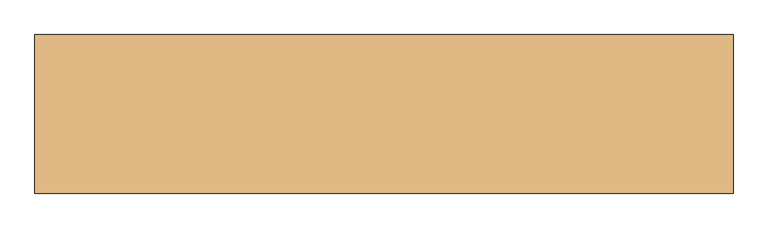
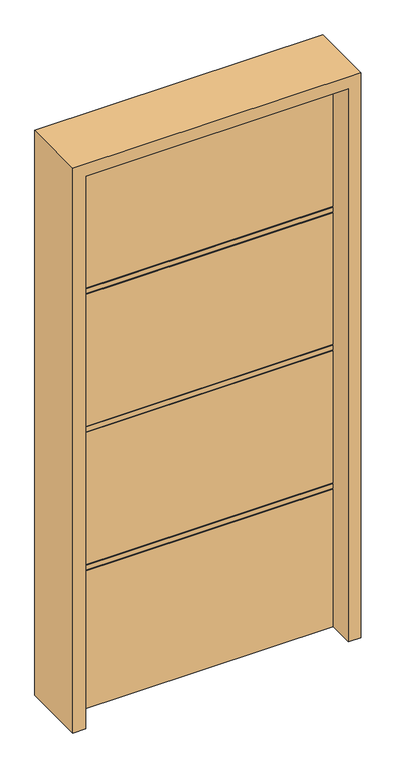
"""IFC4 building model written with IfcOpenShell, lengths in millimetres: door geometry."""

import ifcopenshell
import ifcopenshell.guid

model = None  # the IFC model being written
_history = None  # IfcOwnerHistory: only IFC2X3 demands one
_inside = {}  # id of a spatial element -> (the spatial element, [elements in it])
_under = {}  # id of a project, library or spatial element -> (it, [spatial elements below it])
_declared = {}  # id of a project -> (the project, [libraries it declares])
_typed = {}  # id of a type object -> (the type object, [elements of that type])
_made_of = {}  # id of a material, layer set ... -> (it, [elements and type objects made of it])


def new_model(schema):
    """Start an empty IFC model of exactly this schema.

    Asked for "IFC4X3", IfcOpenShell would pick the latest addendum, in which some entities
    have other attributes; the version numbers below select the first issue.
    IFC2X3 requires an IfcOwnerHistory on every rooted entity: one is made here for all.
    """
    global model, _history
    if schema == "IFC4X3":
        model = ifcopenshell.file(schema_version=(4, 3, 0, 0))
    else:
        model = ifcopenshell.file(schema=schema)
    _inside.clear()
    _under.clear()
    _declared.clear()
    _typed.clear()
    _made_of.clear()
    _history = None
    if model.schema == "IFC2X3":
        org = make("IfcOrganization", Name="unknown")
        user = make(
            "IfcPersonAndOrganization",
            ThePerson=make("IfcPerson", FamilyName="unknown"),
            TheOrganization=org,
        )
        app = make(
            "IfcApplication",
            ApplicationDeveloper=org,
            Version="unknown",
            ApplicationFullName="unknown",
            ApplicationIdentifier="unknown",
        )
        _history = make(
            "IfcOwnerHistory",
            OwningUser=user,
            OwningApplication=app,
            ChangeAction="ADDED",
            CreationDate=0,
        )
    return model


def make(cls, **values):
    """One entity of the class cls with the attributes given. An attribute that is None is left unset."""
    return model.create_entity(
        cls, **{name: value for name, value in values.items() if value is not None}
    )


def rooted(cls, **values):
    """An entity with a GlobalId (a new one), such as an element, a storey or a relation."""
    return make(cls, GlobalId=ifcopenshell.guid.new(), OwnerHistory=_history, **values)


def si_unit(unit_type, name, prefix=None):
    """IfcSIUnit, for example si_unit("LENGTHUNIT", "METRE", prefix="MILLI")."""
    return make("IfcSIUnit", UnitType=unit_type, Prefix=prefix, Name=name)


def assignment(units):
    """IfcUnitAssignment: the units of a project."""
    return None if units is None else make("IfcUnitAssignment", Units=units)


def point(xyz):
    """IfcCartesianPoint."""
    return None if xyz is None else make("IfcCartesianPoint", Coordinates=xyz)


def direction(xyz):
    """IfcDirection."""
    return None if xyz is None else make("IfcDirection", DirectionRatios=xyz)


def frame(location, z_axis=None, x_axis=None):
    """IfcAxis2Placement3D, a coordinate frame: its origin and axes. An axis left out is left unset."""
    return make(
        "IfcAxis2Placement3D",
        Location=point(location),
        Axis=direction(z_axis),
        RefDirection=direction(x_axis),
    )


def origin():
    """The frame at (0, 0, 0) with its axes left unset."""
    return frame((0.0, 0.0, 0.0))


def place(relative_to, where):
    """IfcLocalPlacement: puts the frame where relative to a parent placement (None: the world)."""
    return make(
        "IfcLocalPlacement", PlacementRelTo=relative_to, RelativePlacement=where
    )


def context(
    kind, dimensions, precision=None, world=None, true_north=None, identifier=None
):
    """IfcGeometricRepresentationContext, for example the 3D "Model" context."""
    return make(
        "IfcGeometricRepresentationContext",
        ContextIdentifier=identifier,
        ContextType=kind,
        CoordinateSpaceDimension=dimensions,
        Precision=precision,
        WorldCoordinateSystem=world,
        TrueNorth=true_north,
    )


def project(units=None, contexts=None):
    """IfcProject with its units and contexts."""
    return rooted(
        "IfcProject",
        Name="project",
        RepresentationContexts=contexts,
        UnitsInContext=assignment(units),
    )


def spatial(cls, under=None, at=None, **own):
    """A site, building, storey or space (cls), placed at a placement, below another one or the project."""
    s = rooted(cls, ObjectPlacement=at, **own)
    if under is not None:
        _under.setdefault(under.id(), (under, []))[1].append(s)
    return s


def polyline(points):
    """IfcPolyline through the points."""
    return make("IfcPolyline", Points=[point(p) for p in points])


def outline(outer, holes=None, kind="AREA"):
    """IfcArbitraryClosedProfileDef: a profile drawn as a closed curve; with holes, ...WithVoids."""
    if holes is None:
        return make("IfcArbitraryClosedProfileDef", ProfileType=kind, OuterCurve=outer)
    return make(
        "IfcArbitraryProfileDefWithVoids",
        ProfileType=kind,
        OuterCurve=outer,
        InnerCurves=holes,
    )


def extrude(swept, where, along, depth):
    """IfcExtrudedAreaSolid: the profile swept, set in the frame where, extruded along a direction by depth."""
    return make(
        "IfcExtrudedAreaSolid",
        SweptArea=swept,
        Position=where,
        ExtrudedDirection=direction(along),
        Depth=depth,
    )


def shape(context_of_items, identifier, shape_type, items):
    """IfcShapeRepresentation: the items that make up one representation, for example the "Body"."""
    return make(
        "IfcShapeRepresentation",
        ContextOfItems=context_of_items,
        RepresentationIdentifier=identifier,
        RepresentationType=shape_type,
        Items=items,
    )


def source(mapping_origin, context_of_items, identifier, shape_type, items):
    """IfcRepresentationMap: a shape defined once, which mapped items show again and again."""
    return make(
        "IfcRepresentationMap",
        MappingOrigin=mapping_origin,
        MappedRepresentation=shape(context_of_items, identifier, shape_type, items),
    )


def transform(
    local_origin,
    x_axis=None,
    y_axis=None,
    z_axis=None,
    scale=None,
    scale2=None,
    scale3=None,
    uniform=True,
):
    """IfcCartesianTransformationOperator3D, or its non-uniform kind. x_axis, y_axis, z_axis: its Axis1, 2, 3."""
    if uniform:
        return make(
            "IfcCartesianTransformationOperator3D",
            Axis1=direction(x_axis),
            Axis2=direction(y_axis),
            LocalOrigin=point(local_origin),
            Scale=scale,
            Axis3=direction(z_axis),
        )
    return make(
        "IfcCartesianTransformationOperator3DnonUniform",
        Axis1=direction(x_axis),
        Axis2=direction(y_axis),
        LocalOrigin=point(local_origin),
        Scale=scale,
        Axis3=direction(z_axis),
        Scale2=scale2,
        Scale3=scale3,
    )


def mapped(mapping_source, mapping_target):
    """IfcMappedItem: shows the shape of a source again, moved by a transform."""
    return make(
        "IfcMappedItem", MappingSource=mapping_source, MappingTarget=mapping_target
    )


def made_of(thing, what):
    """Note that an element or type object is made of a material, layer set ...; save() writes the relation."""
    if what is not None:
        _made_of.setdefault(what.id(), (what, []))[1].append(thing)
    return thing


def element(
    cls,
    number,
    at=None,
    inside=None,
    cuts=None,
    type_object=None,
    material=None,
    context=None,
    identifier="Body",
    shape_type=None,
    held_by="IfcProductDefinitionShape",
    body=None,
    shapes=None,
    **own,
):
    """One element of the class cls, such as IfcWall. Its Tag is "e" and its number.

    at: its placement. inside: the storey or other place that contains it. cuts: it is an
    opening in that element (IfcRelVoidsElement). A single representation is given by context,
    identifier, shape_type and body (its items); several are given by shapes. held_by: the class
    of the entity that holds the representations. save() writes the other relations.
    """
    e = rooted(cls, Tag="e%d" % number, ObjectPlacement=at, **own)
    if body is not None:
        shapes = [shape(context, identifier, shape_type, body)]
    if shapes is not None:
        e.Representation = make(held_by, Representations=shapes)
    if inside is not None:
        _inside.setdefault(inside.id(), (inside, []))[1].append(e)
    if cuts is not None:
        rooted(
            "IfcRelVoidsElement", RelatingBuildingElement=cuts, RelatedOpeningElement=e
        )
    if type_object is not None:
        _typed.setdefault(type_object.id(), (type_object, []))[1].append(e)
    return made_of(e, material)


def aggregate(whole, parts):
    """IfcRelAggregates: a whole, such as a stair, and the parts it consists of."""
    return rooted("IfcRelAggregates", RelatingObject=whole, RelatedObjects=parts)


def save(model, path):
    """Write the relations noted so far, then the file.

    IfcRelAggregates (storeys below a building ...), IfcRelContainedInSpatialStructure (elements
    in a storey), IfcRelDefinesByType, IfcRelAssociatesMaterial and IfcRelDeclares: one each for
    every whole, place, type object, material and project.
    """
    for whole, parts in _under.values():
        aggregate(whole, parts)
    for where, things in _inside.values():
        rooted(
            "IfcRelContainedInSpatialStructure",
            RelatedElements=things,
            RelatingStructure=where,
        )
    for kind, things in _typed.values():
        rooted("IfcRelDefinesByType", RelatedObjects=things, RelatingType=kind)
    for what, things in _made_of.values():
        rooted("IfcRelAssociatesMaterial", RelatedObjects=things, RelatingMaterial=what)
    for by, libraries in _declared.values():
        rooted("IfcRelDeclares", RelatingContext=by, RelatedDefinitions=libraries)
    model.write(path)


def door_aad949a9(model_context):
    return source(origin(), model_context, "Body", "SweptSolid", [
        extrude(outline(polyline([(22.225, 2032.0), (22.225, 1545.336), (18.923, 1545.336), (18.923, 1542.034), (22.225, 1542.034), (22.225, 1525.27), (18.923, 1525.27), (18.923, 1521.968), (22.225, 1521.968), (22.225, 1036.828), (18.923, 1036.828), (18.923, 1033.526), (22.225, 1033.526), (22.225, 1016.762), (18.923, 1016.762), (18.923, 1013.46), (22.225, 1013.46), (22.225, 528.32), (18.923, 528.32), (18.923, 525.018), (22.225, 525.018), (22.225, 508.254), (18.923, 508.254), (18.923, 504.952), (22.225, 504.952), (22.225, 0.0), (-22.225, 0.0), (-22.225, 504.952), (-18.923, 504.952), (-18.923, 508.254), (-22.225, 508.254), (-22.225, 525.018), (-18.923, 525.018), (-18.923, 528.32), (-22.225, 528.32), (-22.225, 1013.46), (-18.923, 1013.46), (-18.923, 1016.762), (-22.225, 1016.762), (-22.225, 1033.526), (-18.923, 1033.526), (-18.923, 1036.828), (-22.225, 1036.828), (-22.225, 1521.968), (-18.923, 1521.968), (-18.923, 1525.27), (-22.225, 1525.27), (-22.225, 1542.034), (-18.923, 1542.034), (-18.923, 1545.336), (-22.225, 1545.336), (-22.225, 2032.0), (22.225, 2032.0)])), frame((-457.2, 0.0, 0.0), z_axis=(1.0, 0.0, 0.0), x_axis=(0.0, 1.0, 0.0)), (0.0, 0.0, 1.0), 914.4),
        extrude(outline(polyline([(0.0, -501.65), (0.0, -457.2), (2032.0, -457.2), (2032.0, 457.2), (0.0, 457.2), (0.0, 501.65), (2076.45, 501.65), (2076.45, -501.65), (0.0, -501.65)])), frame((0.0, -114.3, 0.0), z_axis=(0.0, 1.0, 0.0), x_axis=(0.0, 0.0, 1.0)), (0.0, 0.0, 1.0), 228.6),
    ])


if __name__ == "__main__":
    model = new_model("IFC4")
    model_context = context("Model", 3, world=origin())
    ifc_project = project(units=[si_unit("LENGTHUNIT", "METRE", prefix="MILLI")], contexts=[model_context])
    site = spatial("IfcSite", under=ifc_project)
    building = spatial("IfcBuilding", under=site)
    placement = place(None, origin())
    door_shape = door_aad949a9(model_context)
    element("IfcDoor", 1, at=placement, inside=building, context=model_context, shape_type="MappedRepresentation", body=[
        mapped(door_shape, transform((0.0, 0.0, 0.0), x_axis=(1.0, 0.0, 0.0), y_axis=(0.0, 1.0, 0.0), z_axis=(0.0, 0.0, 1.0))),
    ])
    save(model, "model.ifc")
